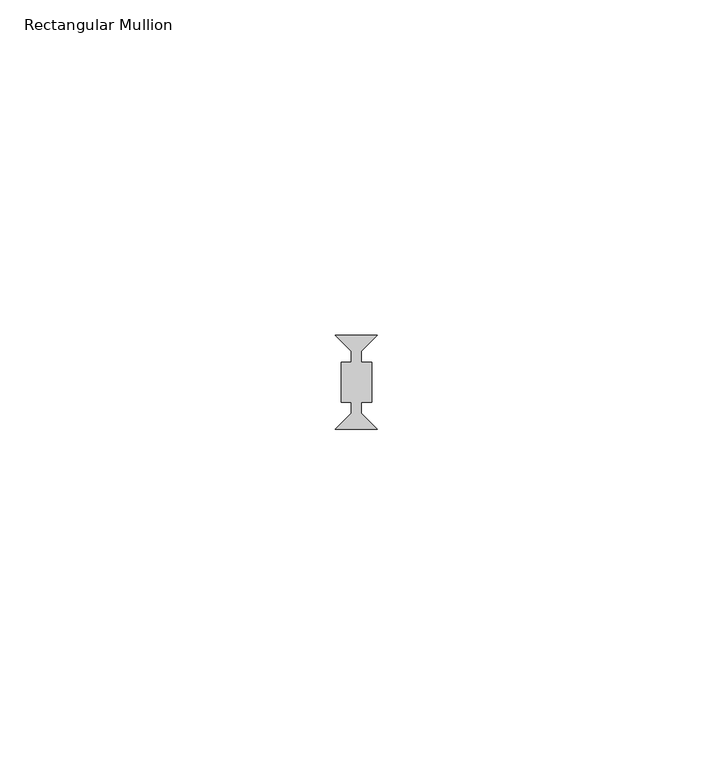
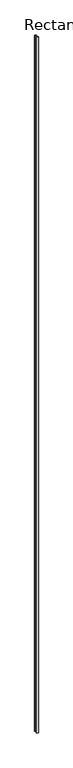
"""IFC4 building model written with IfcOpenShell, lengths in millimetres: member geometry, Rectangular Mullion."""

from ifc_helpers import new_model, si_unit, frame, origin, place, context, project, spatial, polyline, outline, extrude, source, transform, mapped, element, save


def rectangular_mullion_9251c824(model_context):
    return source(origin(), model_context, "Body", "SweptSolid", [
        extrude(outline(polyline([(3.1414214, 7.0), (0.75, 4.6085786), (0.75, 3.0), (2.25, 3.0), (2.25, -3.0), (0.75, -3.0), (0.75, -4.6085786), (3.1414214, -7.0), (-3.1414214, -7.0), (-0.75, -4.6085786), (-0.75, -3.0), (-2.25, -3.0), (-2.25, 3.0), (-0.75, 3.0), (-0.75, 4.6085786), (-3.1414214, 7.0), (3.1414214, 7.0)])), frame((0.0, 0.0, -2923.8690924), z_axis=(0.0, 0.0, 1.0), x_axis=(1.0, 0.0, 0.0)), (0.0, 0.0, 1.0), 2923.8690924),
    ])


if __name__ == "__main__":
    model = new_model("IFC4")
    model_context = context("Model", 3, world=origin())
    ifc_project = project(units=[si_unit("LENGTHUNIT", "METRE", prefix="MILLI")], contexts=[model_context])
    site = spatial("IfcSite", under=ifc_project)
    building = spatial("IfcBuilding", under=site)
    placement = place(None, origin())
    rectangular_mullion_shape = rectangular_mullion_9251c824(model_context)
    element("IfcMember", 1, ObjectType="Rectangular Mullion", at=placement, inside=building, context=model_context, shape_type="MappedRepresentation", body=[
        mapped(rectangular_mullion_shape, transform((0.0, 0.0, 0.0), x_axis=(1.0, 0.0, 0.0), y_axis=(0.0, 1.0, 0.0), z_axis=(0.0, 0.0, 1.0))),
    ])
    save(model, "model.ifc")
